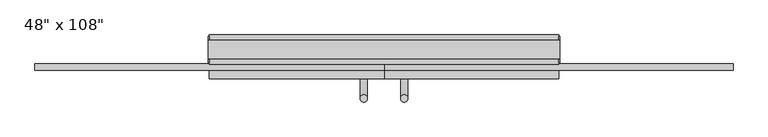
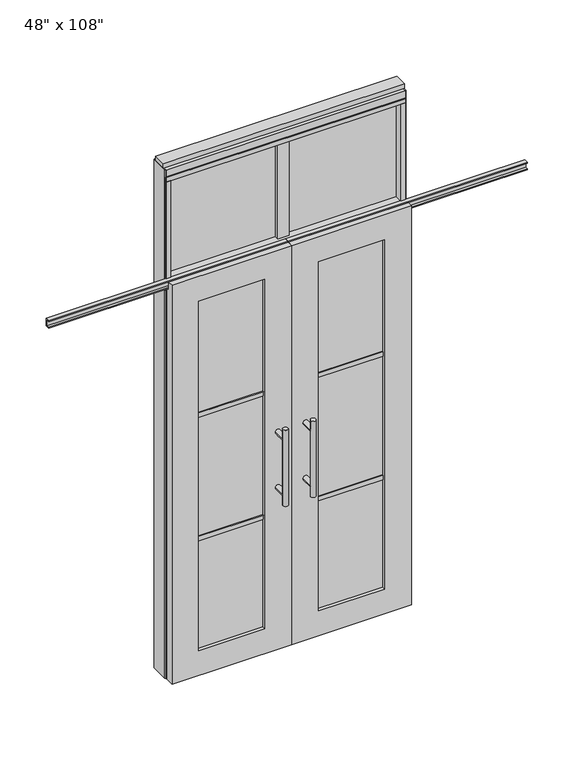
"""IFC4 building model written with IfcOpenShell, lengths in millimetres: furniture geometry."""

from ifc_helpers import new_model, si_unit, frame, origin, origin_with_axes, place, context, project, spatial, polyline, circle_curve, ellipse_curve, outline, extrude, faceted_brep, source, transform, mapped, element, save
from ifc_brep_helpers import plane_surface, cylinder_surface, advanced_brep


def furniture_19afca3b(model_context):
    return source(origin(), model_context, "Body", "SolidModel", [
        advanced_brep(
        [(-117.3135229, 5.8962784, 1219.2), (-142.7135229, 5.8962784, 1219.2), (-117.3135229, 5.8962784, 812.8), (-142.7135229, 5.8962784, 812.8), (-117.3135229, 5.8962784, 1164.336), (-117.3135229, 5.8962784, 867.664), (-142.7135229, 5.8962784, 867.664), (-142.7135229, 5.8962784, 1164.336), (-117.3135229, -61.6677216, 1164.336), (-142.7135229, -61.6677216, 1164.336), (-117.3135229, -61.6677216, 867.664), (-142.7135229, -61.6677216, 867.664)],
        [
            (0, 1, circle_curve(frame((-130.0135229, 5.8962784, 1219.2), z_axis=(0.0, 0.0, 1.0), x_axis=(-1.0, 0.0, 0.0)), 12.7)),
            (1, 0, circle_curve(frame((-130.0135229, 5.8962784, 1219.2), z_axis=(0.0, 0.0, 1.0), x_axis=(-1.0, 0.0, 0.0)), 12.7)),
            (2, 3, circle_curve(frame((-130.0135229, 5.8962784, 812.8), z_axis=(0.0, 0.0, -1.0), x_axis=(-1.0, 0.0, 0.0)), 12.7)),
            (3, 2, circle_curve(frame((-130.0135229, 5.8962784, 812.8), z_axis=(0.0, 0.0, -1.0), x_axis=(-1.0, 0.0, 0.0)), 12.7)),
            (0, 4),
            (4, 5),
            (5, 2),
            (3, 6),
            (6, 7),
            (7, 1),
            (7, 4, ellipse_curve(frame((-130.0135229, 5.8962784, 1164.336), z_axis=(0.0, 0.707106781186565, 0.70710678118653), x_axis=(0.0, -0.70710678118653, 0.707106781186565)), 17.9605122, 12.7)),
            (5, 6, ellipse_curve(frame((-130.0135229, 5.8962784, 867.664), z_axis=(0.0, 0.70710678118653, -0.7071067811865649), x_axis=(0.0, 0.7071067811865648, 0.7071067811865301)), 17.9605122, 12.7)),
            (4, 7, ellipse_curve(frame((-130.0135229, 5.8962784, 1164.336), z_axis=(0.0, 0.70710678118653, -0.7071067811865649), x_axis=(0.0, 0.7071067811865648, 0.7071067811865301)), 17.9605122, 12.7)),
            (6, 5, ellipse_curve(frame((-130.0135229, 5.8962784, 867.664), z_axis=(0.0, 0.707106781186565, 0.70710678118653), x_axis=(0.0, -0.70710678118653, 0.707106781186565)), 17.9605122, 12.7)),
            (8, 9, circle_curve(frame((-130.0135229, -61.6677216, 1164.336), z_axis=(0.0, -1.0, 0.0), x_axis=(-1.0, 0.0, 0.0)), 12.7)),
            (9, 8, circle_curve(frame((-130.0135229, -61.6677216, 1164.336), z_axis=(0.0, -1.0, 0.0), x_axis=(-1.0, 0.0, 0.0)), 12.7)),
            (9, 7),
            (4, 8),
            (10, 11, circle_curve(frame((-130.0135229, -61.6677216, 867.664), z_axis=(0.0, -1.0, 0.0), x_axis=(-1.0, 0.0, 0.0)), 12.7)),
            (11, 10, circle_curve(frame((-130.0135229, -61.6677216, 867.664), z_axis=(0.0, -1.0, 0.0), x_axis=(-1.0, 0.0, 0.0)), 12.7)),
            (11, 6),
            (5, 10),
        ],
        [
            plane_surface(frame((-142.7135229, 5.8962784, 1219.2), z_axis=(0.0, 0.0, 1.0), x_axis=(0.0, -1.0, 0.0))),
            plane_surface(frame((-142.7135229, 5.8962784, 812.8), z_axis=(0.0, 0.0, -1.0), x_axis=(0.0, 1.0, 0.0))),
            cylinder_surface(frame((-130.0135229, 5.8962784, 812.8), z_axis=(0.0, 0.0, 1.0), x_axis=(-1.0, 0.0, 0.0)), 12.7),
            plane_surface(frame((-142.7135229, -61.6677216, 1164.336), z_axis=(0.0, -1.0, 0.0), x_axis=(0.0, 0.0, -1.0))),
            cylinder_surface(frame((-130.0135229, -61.6677216, 1164.336), z_axis=(0.0, 1.0, 0.0), x_axis=(-1.0, 0.0, 0.0)), 12.7),
            plane_surface(frame((-142.7135229, -61.6677216, 867.664), z_axis=(0.0, -1.0, 0.0), x_axis=(0.0, 0.0, -1.0))),
            cylinder_surface(frame((-130.0135229, -61.6677216, 867.664), z_axis=(0.0, 1.0, 0.0), x_axis=(-1.0, 0.0, 0.0)), 12.7),
        ],
        [
            (0, [[1, 2]]),
            (1, [[3, 4]]),
            (2, [[-1, 5, 6, 7, -4, 8, 9, 10]]),
            (2, [[-2, -10, 11, -5]]),
            (2, [[-3, -7, 12, -8]]),
            (2, [[13, -9, 14, -6]]),
            (3, [[15, 16]]),
            (4, [[-16, 17, -13, 18]]),
            (4, [[-15, -18, -11, -17]]),
            (5, [[19, 20]]),
            (6, [[-20, 21, -12, 22]]),
            (6, [[-19, -22, -14, -21]]),
        ],
    ),
        advanced_brep(
        [(-117.3135229, -173.6817216, 1219.2), (-142.7135229, -173.6817216, 1219.2), (-117.3135229, -173.6817216, 812.8), (-142.7135229, -173.6817216, 812.8), (-142.7135229, -173.6817216, 1164.336), (-142.7135229, -173.6817216, 867.664), (-117.3135229, -173.6817216, 867.664), (-117.3135229, -173.6817216, 1164.336), (-117.3135229, -106.1177216, 1164.336), (-142.7135229, -106.1177216, 1164.336), (-117.3135229, -106.1177216, 867.664), (-142.7135229, -106.1177216, 867.664)],
        [
            (0, 1, circle_curve(frame((-130.0135229, -173.6817216, 1219.2), z_axis=(0.0, 0.0, 1.0), x_axis=(-1.0, 0.0, 0.0)), 12.7)),
            (1, 0, circle_curve(frame((-130.0135229, -173.6817216, 1219.2), z_axis=(0.0, 0.0, 1.0), x_axis=(-1.0, 0.0, 0.0)), 12.7)),
            (2, 3, circle_curve(frame((-130.0135229, -173.6817216, 812.8), z_axis=(0.0, 0.0, -1.0), x_axis=(-1.0, 0.0, 0.0)), 12.7)),
            (3, 2, circle_curve(frame((-130.0135229, -173.6817216, 812.8), z_axis=(0.0, 0.0, -1.0), x_axis=(-1.0, 0.0, 0.0)), 12.7)),
            (1, 4),
            (4, 5),
            (5, 3),
            (2, 6),
            (6, 7),
            (7, 0),
            (6, 5, ellipse_curve(frame((-130.0135229, -173.6817216, 867.664), z_axis=(0.0, -0.707106781186565, 0.70710678118653), x_axis=(0.0, 0.70710678118653, 0.707106781186565)), 17.9605122, 12.7)),
            (4, 7, ellipse_curve(frame((-130.0135229, -173.6817216, 1164.336), z_axis=(0.0, -0.70710678118653, -0.7071067811865649), x_axis=(0.0, -0.7071067811865648, 0.7071067811865301)), 17.9605122, 12.7)),
            (7, 4, ellipse_curve(frame((-130.0135229, -173.6817216, 1164.336), z_axis=(0.0, -0.707106781186565, 0.70710678118653), x_axis=(0.0, 0.70710678118653, 0.707106781186565)), 17.9605122, 12.7)),
            (5, 6, ellipse_curve(frame((-130.0135229, -173.6817216, 867.664), z_axis=(0.0, -0.70710678118653, -0.7071067811865649), x_axis=(0.0, -0.7071067811865648, 0.7071067811865301)), 17.9605122, 12.7)),
            (8, 9, circle_curve(frame((-130.0135229, -106.1177216, 1164.336), z_axis=(0.0, 1.0, 0.0), x_axis=(-1.0, 0.0, 0.0)), 12.7)),
            (9, 8, circle_curve(frame((-130.0135229, -106.1177216, 1164.336), z_axis=(0.0, 1.0, 0.0), x_axis=(-1.0, 0.0, 0.0)), 12.7)),
            (8, 7),
            (4, 9),
            (10, 11, circle_curve(frame((-130.0135229, -106.1177216, 867.664), z_axis=(0.0, 1.0, 0.0), x_axis=(-1.0, 0.0, 0.0)), 12.7)),
            (11, 10, circle_curve(frame((-130.0135229, -106.1177216, 867.664), z_axis=(0.0, 1.0, 0.0), x_axis=(-1.0, 0.0, 0.0)), 12.7)),
            (10, 6),
            (5, 11),
        ],
        [
            plane_surface(frame((-142.7135229, -173.6817216, 1219.2), z_axis=(0.0, 0.0, 1.0), x_axis=(0.0, 1.0, 0.0))),
            plane_surface(frame((-142.7135229, -173.6817216, 812.8), z_axis=(0.0, 0.0, -1.0), x_axis=(0.0, -1.0, 0.0))),
            cylinder_surface(frame((-130.0135229, -173.6817216, 812.8), z_axis=(0.0, 0.0, 1.0), x_axis=(-1.0, 0.0, 0.0)), 12.7),
            plane_surface(frame((-142.7135229, -106.1177216, 1164.336), z_axis=(0.0, 1.0, 0.0), x_axis=(0.0, 0.0, -1.0))),
            cylinder_surface(frame((-130.0135229, -106.1177216, 1164.336), z_axis=(0.0, -1.0, 0.0), x_axis=(-1.0, 0.0, 0.0)), 12.7),
            plane_surface(frame((-142.7135229, -106.1177216, 867.664), z_axis=(0.0, 1.0, 0.0), x_axis=(0.0, 0.0, -1.0))),
            cylinder_surface(frame((-130.0135229, -106.1177216, 867.664), z_axis=(0.0, -1.0, 0.0), x_axis=(-1.0, 0.0, 0.0)), 12.7),
        ],
        [
            (0, [[1, 2]]),
            (1, [[3, 4]]),
            (2, [[5, 6, 7, -3, 8, 9, 10, -2]]),
            (2, [[-9, 11, -6, 12]]),
            (2, [[-10, 13, -5, -1]]),
            (2, [[-7, 14, -8, -4]]),
            (3, [[15, 16]]),
            (4, [[17, -12, 18, -15]]),
            (4, [[-18, -13, -17, -16]]),
            (5, [[19, 20]]),
            (6, [[21, -14, 22, -19]]),
            (6, [[-22, -11, -21, -20]]),
        ],
    ),
        extrude(outline(polyline([(-196.0535229, -95.0052216), (-529.6825229, -95.0052216), (-529.6825229, -72.7802216), (-196.0535229, -72.7802216), (-196.0535229, -95.0052216)])), frame((0.0, 0.0, 1371.6), z_axis=(0.0, 0.0, 1.0), x_axis=(1.0, 0.0, 0.0)), (0.0, 0.0, 1.0), 22.225),
        extrude(outline(polyline([(-196.0535229, -95.0052216), (-529.6825229, -95.0052216), (-529.6825229, -72.7802216), (-196.0535229, -72.7802216), (-196.0535229, -95.0052216)])), frame((0.0, 0.0, 711.2), z_axis=(0.0, 0.0, 1.0), x_axis=(1.0, 0.0, 0.0)), (0.0, 0.0, 1.0), 22.225),
        extrude(outline(polyline([(-529.6825229, -88.9727216), (-529.6825229, -78.8127216), (-196.0535229, -78.8127216), (-196.0535229, -88.9727216), (-529.6825229, -88.9727216)])), frame((0.0, 0.0, 132.969), z_axis=(0.0, 0.0, 1.0), x_axis=(1.0, 0.0, 0.0)), (0.0, 0.0, 1.0), 1867.662),
        extrude(outline(polyline([(-75.3837216, 2097.278), (-75.3837216, 2102.612), (-62.6837216, 2102.612), (-62.6837216, 2131.568), (-75.3837216, 2131.568), (-75.3837216, 2136.902), (-53.6667216, 2136.902), (-53.6667216, 2097.278), (-75.3837216, 2097.278)])), frame((-1271.3625229, 0.0, 0.0), z_axis=(1.0, 0.0, 0.0), x_axis=(0.0, 1.0, 0.0)), (0.0, 0.0, 1.0), 1211.326),
        faceted_brep([(-60.0365229, -106.1177216, 0.0), (-60.0365229, -106.1177216, 2133.6), (-665.6995229, -106.1177216, 2133.6), (-665.6995229, -106.1177216, 0.0), (-529.6825229, -106.1177216, 2000.631), (-196.0535229, -106.1177216, 2000.631), (-196.0535229, -106.1177216, 132.969), (-529.6825229, -106.1177216, 132.969), (-60.0365229, -78.6857216, 2133.6), (-60.0365229, -78.6857216, 2089.023), (-665.6995229, -78.6857216, 2089.023), (-665.6995229, -78.6857216, 2133.6), (-60.0365229, -61.6677216, 0.0), (-60.0365229, -61.6677216, 2089.023), (-665.6995229, -61.6677216, 2089.023), (-665.6995229, -61.6677216, 0.0), (-529.6825229, -61.6677216, 2000.631), (-529.6825229, -61.6677216, 132.969), (-196.0535229, -61.6677216, 132.969), (-196.0535229, -61.6677216, 2000.631)], [[[0, 1, 2, 3], [4, 5, 6, 7]], [[8, 9, 10, 11]], [[0, 12, 13, 9, 8, 1]], [[2, 11, 10, 14, 15, 3]], [[1, 8, 11, 2]], [[14, 13, 12, 15], [16, 17, 18, 19]], [[14, 10, 9, 13]], [[3, 15, 12, 0]], [[7, 17, 16, 4]], [[6, 18, 17, 7]], [[5, 19, 18, 6]], [[4, 16, 19, 5]]]),
        extrude(outline(polyline([(-31.4615229, -33.0927216), (-88.6115229, -33.0927216), (-88.6115229, 24.0572784), (-31.4615229, 24.0572784), (-31.4615229, -33.0927216)])), frame((0.0, 0.0, 2133.6), z_axis=(0.0, 0.0, 1.0), x_axis=(1.0, 0.0, 0.0)), (0.0, 0.0, 1.0), 520.7),
        extrude(outline(polyline([(523.4014771, -10.8677216), (-643.4745229, -10.8677216), (-643.4745229, 1.8322784), (523.4014771, 1.8322784), (523.4014771, -10.8677216)])), frame((0.0, 0.0, 2133.6), z_axis=(0.0, 0.0, 1.0), x_axis=(1.0, 0.0, 0.0)), (0.0, 0.0, 1.0), 520.7),
        advanced_brep(
        [(-2.7595229, 5.8962784, 1219.2), (22.6404771, 5.8962784, 1219.2), (-2.7595229, 5.8962784, 812.8), (22.6404771, 5.8962784, 812.8), (22.6404771, 5.8962784, 1164.336), (22.6404771, 5.8962784, 867.664), (-2.7595229, 5.8962784, 867.664), (-2.7595229, 5.8962784, 1164.336), (-2.7595229, -61.6677216, 1164.336), (22.6404771, -61.6677216, 1164.336), (-2.7595229, -61.6677216, 867.664), (22.6404771, -61.6677216, 867.664)],
        [
            (0, 1, circle_curve(frame((9.9404771, 5.8962784, 1219.2), z_axis=(0.0, 0.0, 1.0), x_axis=(1.0, 0.0, 0.0)), 12.7)),
            (1, 0, circle_curve(frame((9.9404771, 5.8962784, 1219.2), z_axis=(0.0, 0.0, 1.0), x_axis=(1.0, 0.0, 0.0)), 12.7)),
            (2, 3, circle_curve(frame((9.9404771, 5.8962784, 812.8), z_axis=(0.0, 0.0, -1.0), x_axis=(1.0, 0.0, 0.0)), 12.7)),
            (3, 2, circle_curve(frame((9.9404771, 5.8962784, 812.8), z_axis=(0.0, 0.0, -1.0), x_axis=(1.0, 0.0, 0.0)), 12.7)),
            (1, 4),
            (4, 5),
            (5, 3),
            (2, 6),
            (6, 7),
            (7, 0),
            (6, 5, ellipse_curve(frame((9.9404771, 5.8962784, 867.664), z_axis=(0.0, 0.707106781186565, 0.70710678118653), x_axis=(0.0, -0.70710678118653, 0.707106781186565)), 17.9605122, 12.7)),
            (4, 7, ellipse_curve(frame((9.9404771, 5.8962784, 1164.336), z_axis=(0.0, 0.70710678118653, -0.7071067811865649), x_axis=(0.0, 0.7071067811865648, 0.7071067811865301)), 17.9605122, 12.7)),
            (7, 4, ellipse_curve(frame((9.9404771, 5.8962784, 1164.336), z_axis=(0.0, 0.707106781186565, 0.70710678118653), x_axis=(0.0, -0.70710678118653, 0.707106781186565)), 17.9605122, 12.7)),
            (5, 6, ellipse_curve(frame((9.9404771, 5.8962784, 867.664), z_axis=(0.0, 0.70710678118653, -0.7071067811865649), x_axis=(0.0, 0.7071067811865648, 0.7071067811865301)), 17.9605122, 12.7)),
            (8, 9, circle_curve(frame((9.9404771, -61.6677216, 1164.336), z_axis=(0.0, -1.0, 0.0), x_axis=(1.0, 0.0, 0.0)), 12.7)),
            (9, 8, circle_curve(frame((9.9404771, -61.6677216, 1164.336), z_axis=(0.0, -1.0, 0.0), x_axis=(1.0, 0.0, 0.0)), 12.7)),
            (8, 7),
            (4, 9),
            (10, 11, circle_curve(frame((9.9404771, -61.6677216, 867.664), z_axis=(0.0, -1.0, 0.0), x_axis=(1.0, 0.0, 0.0)), 12.7)),
            (11, 10, circle_curve(frame((9.9404771, -61.6677216, 867.664), z_axis=(0.0, -1.0, 0.0), x_axis=(1.0, 0.0, 0.0)), 12.7)),
            (10, 6),
            (5, 11),
        ],
        [
            plane_surface(frame((22.6404771, 5.8962784, 1219.2), z_axis=(0.0, 0.0, 1.0), x_axis=(0.0, -1.0, 0.0))),
            plane_surface(frame((22.6404771, 5.8962784, 812.8), z_axis=(0.0, 0.0, -1.0), x_axis=(0.0, 1.0, 0.0))),
            cylinder_surface(frame((9.9404771, 5.8962784, 812.8), z_axis=(0.0, 0.0, 1.0), x_axis=(1.0, 0.0, 0.0)), 12.7),
            plane_surface(frame((22.6404771, -61.6677216, 1164.336), z_axis=(0.0, -1.0, 0.0), x_axis=(0.0, 0.0, -1.0))),
            cylinder_surface(frame((9.9404771, -61.6677216, 1164.336), z_axis=(0.0, 1.0, 0.0), x_axis=(1.0, 0.0, 0.0)), 12.7),
            plane_surface(frame((22.6404771, -61.6677216, 867.664), z_axis=(0.0, -1.0, 0.0), x_axis=(0.0, 0.0, -1.0))),
            cylinder_surface(frame((9.9404771, -61.6677216, 867.664), z_axis=(0.0, 1.0, 0.0), x_axis=(1.0, 0.0, 0.0)), 12.7),
        ],
        [
            (0, [[1, 2]]),
            (1, [[3, 4]]),
            (2, [[5, 6, 7, -3, 8, 9, 10, -2]]),
            (2, [[-9, 11, -6, 12]]),
            (2, [[-10, 13, -5, -1]]),
            (2, [[-7, 14, -8, -4]]),
            (3, [[15, 16]]),
            (4, [[17, -12, 18, -15]]),
            (4, [[-18, -13, -17, -16]]),
            (5, [[19, 20]]),
            (6, [[21, -14, 22, -19]]),
            (6, [[-22, -11, -21, -20]]),
        ],
    ),
        advanced_brep(
        [(-2.7595229, -173.6817216, 1219.2), (22.6404771, -173.6817216, 1219.2), (-2.7595229, -173.6817216, 812.8), (22.6404771, -173.6817216, 812.8), (-2.7595229, -173.6817216, 1164.336), (-2.7595229, -173.6817216, 867.664), (22.6404771, -173.6817216, 867.664), (22.6404771, -173.6817216, 1164.336), (-2.7595229, -106.1177216, 1164.336), (22.6404771, -106.1177216, 1164.336), (-2.7595229, -106.1177216, 867.664), (22.6404771, -106.1177216, 867.664)],
        [
            (0, 1, circle_curve(frame((9.9404771, -173.6817216, 1219.2), z_axis=(0.0, 0.0, 1.0), x_axis=(1.0, 0.0, 0.0)), 12.7)),
            (1, 0, circle_curve(frame((9.9404771, -173.6817216, 1219.2), z_axis=(0.0, 0.0, 1.0), x_axis=(1.0, 0.0, 0.0)), 12.7)),
            (2, 3, circle_curve(frame((9.9404771, -173.6817216, 812.8), z_axis=(0.0, 0.0, -1.0), x_axis=(1.0, 0.0, 0.0)), 12.7)),
            (3, 2, circle_curve(frame((9.9404771, -173.6817216, 812.8), z_axis=(0.0, 0.0, -1.0), x_axis=(1.0, 0.0, 0.0)), 12.7)),
            (0, 4),
            (4, 5),
            (5, 2),
            (3, 6),
            (6, 7),
            (7, 1),
            (7, 4, ellipse_curve(frame((9.9404771, -173.6817216, 1164.336), z_axis=(0.0, -0.707106781186565, 0.70710678118653), x_axis=(0.0, 0.70710678118653, 0.707106781186565)), 17.9605122, 12.7)),
            (5, 6, ellipse_curve(frame((9.9404771, -173.6817216, 867.664), z_axis=(0.0, -0.70710678118653, -0.7071067811865649), x_axis=(0.0, -0.7071067811865648, 0.7071067811865301)), 17.9605122, 12.7)),
            (4, 7, ellipse_curve(frame((9.9404771, -173.6817216, 1164.336), z_axis=(0.0, -0.70710678118653, -0.7071067811865649), x_axis=(0.0, -0.7071067811865648, 0.7071067811865301)), 17.9605122, 12.7)),
            (6, 5, ellipse_curve(frame((9.9404771, -173.6817216, 867.664), z_axis=(0.0, -0.707106781186565, 0.70710678118653), x_axis=(0.0, 0.70710678118653, 0.707106781186565)), 17.9605122, 12.7)),
            (8, 9, circle_curve(frame((9.9404771, -106.1177216, 1164.336), z_axis=(0.0, 1.0, 0.0), x_axis=(1.0, 0.0, 0.0)), 12.7)),
            (9, 8, circle_curve(frame((9.9404771, -106.1177216, 1164.336), z_axis=(0.0, 1.0, 0.0), x_axis=(1.0, 0.0, 0.0)), 12.7)),
            (9, 7),
            (4, 8),
            (10, 11, circle_curve(frame((9.9404771, -106.1177216, 867.664), z_axis=(0.0, 1.0, 0.0), x_axis=(1.0, 0.0, 0.0)), 12.7)),
            (11, 10, circle_curve(frame((9.9404771, -106.1177216, 867.664), z_axis=(0.0, 1.0, 0.0), x_axis=(1.0, 0.0, 0.0)), 12.7)),
            (11, 6),
            (5, 10),
        ],
        [
            plane_surface(frame((22.6404771, -173.6817216, 1219.2), z_axis=(0.0, 0.0, 1.0), x_axis=(0.0, 1.0, 0.0))),
            plane_surface(frame((22.6404771, -173.6817216, 812.8), z_axis=(0.0, 0.0, -1.0), x_axis=(0.0, -1.0, 0.0))),
            cylinder_surface(frame((9.9404771, -173.6817216, 812.8), z_axis=(0.0, 0.0, 1.0), x_axis=(1.0, 0.0, 0.0)), 12.7),
            plane_surface(frame((22.6404771, -106.1177216, 1164.336), z_axis=(0.0, 1.0, 0.0), x_axis=(0.0, 0.0, -1.0))),
            cylinder_surface(frame((9.9404771, -106.1177216, 1164.336), z_axis=(0.0, -1.0, 0.0), x_axis=(1.0, 0.0, 0.0)), 12.7),
            plane_surface(frame((22.6404771, -106.1177216, 867.664), z_axis=(0.0, 1.0, 0.0), x_axis=(0.0, 0.0, -1.0))),
            cylinder_surface(frame((9.9404771, -106.1177216, 867.664), z_axis=(0.0, -1.0, 0.0), x_axis=(1.0, 0.0, 0.0)), 12.7),
        ],
        [
            (0, [[1, 2]]),
            (1, [[3, 4]]),
            (2, [[-1, 5, 6, 7, -4, 8, 9, 10]]),
            (2, [[-2, -10, 11, -5]]),
            (2, [[-3, -7, 12, -8]]),
            (2, [[13, -9, 14, -6]]),
            (3, [[15, 16]]),
            (4, [[-16, 17, -13, 18]]),
            (4, [[-15, -18, -11, -17]]),
            (5, [[19, 20]]),
            (6, [[-20, 21, -12, 22]]),
            (6, [[-19, -22, -14, -21]]),
        ],
    ),
        extrude(outline(polyline([(75.9804771, -95.0052216), (75.9804771, -72.7802216), (409.6094771, -72.7802216), (409.6094771, -95.0052216), (75.9804771, -95.0052216)])), frame((0.0, 0.0, 1371.6), z_axis=(0.0, 0.0, 1.0), x_axis=(1.0, 0.0, 0.0)), (0.0, 0.0, 1.0), 22.225),
        extrude(outline(polyline([(75.9804771, -95.0052216), (75.9804771, -72.7802216), (409.6094771, -72.7802216), (409.6094771, -95.0052216), (75.9804771, -95.0052216)])), frame((0.0, 0.0, 711.2), z_axis=(0.0, 0.0, 1.0), x_axis=(1.0, 0.0, 0.0)), (0.0, 0.0, 1.0), 22.225),
        extrude(outline(polyline([(409.6094771, -88.9727216), (75.9804771, -88.9727216), (75.9804771, -78.8127216), (409.6094771, -78.8127216), (409.6094771, -88.9727216)])), frame((0.0, 0.0, 132.969), z_axis=(0.0, 0.0, 1.0), x_axis=(1.0, 0.0, 0.0)), (0.0, 0.0, 1.0), 1867.662),
        extrude(outline(polyline([(-75.3837216, 2097.278), (-75.3837216, 2102.612), (-62.6837216, 2102.612), (-62.6837216, 2131.568), (-75.3837216, 2131.568), (-75.3837216, 2136.902), (-53.6667216, 2136.902), (-53.6667216, 2097.278), (-75.3837216, 2097.278)])), frame((-60.0365229, 0.0, 0.0), z_axis=(1.0, 0.0, 0.0), x_axis=(0.0, 1.0, 0.0)), (0.0, 0.0, 1.0), 1211.326),
        faceted_brep([(-60.0365229, -106.1177216, 0.0), (545.6264771, -106.1177216, 0.0), (545.6264771, -106.1177216, 2133.6), (-60.0365229, -106.1177216, 2133.6), (409.6094771, -106.1177216, 2000.631), (409.6094771, -106.1177216, 132.969), (75.9804771, -106.1177216, 132.969), (75.9804771, -106.1177216, 2000.631), (-60.0365229, -78.6857216, 2133.6), (545.6264771, -78.6857216, 2133.6), (545.6264771, -78.6857216, 2089.023), (-60.0365229, -78.6857216, 2089.023), (-60.0365229, -61.6677216, 2089.023), (-60.0365229, -61.6677216, 0.0), (545.6264771, -61.6677216, 0.0), (545.6264771, -61.6677216, 2089.023), (409.6094771, -61.6677216, 2000.631), (75.9804771, -61.6677216, 2000.631), (75.9804771, -61.6677216, 132.969), (409.6094771, -61.6677216, 132.969)], [[[0, 1, 2, 3], [4, 5, 6, 7]], [[8, 9, 10, 11]], [[0, 3, 8, 11, 12, 13]], [[2, 1, 14, 15, 10, 9]], [[3, 2, 9, 8]], [[15, 14, 13, 12], [16, 17, 18, 19]], [[15, 12, 11, 10]], [[1, 0, 13, 14]], [[5, 4, 16, 19]], [[6, 5, 19, 18]], [[7, 6, 18, 17]], [[4, 7, 17, 16]]]),
        extrude(outline(polyline([(-643.4745229, -55.3177216), (-665.6995229, -55.3177216), (-665.6995229, 46.2822784), (-643.4745229, 46.2822784), (-643.4745229, -55.3177216)])), frame((0.0, 0.0, 2133.6), z_axis=(0.0, 0.0, 1.0), x_axis=(1.0, 0.0, 0.0)), (0.0, 0.0, 1.0), 520.7),
        extrude(outline(polyline([(523.4014771, -55.3177216), (523.4014771, 46.2822784), (545.6264771, 46.2822784), (545.6264771, -55.3177216), (523.4014771, -55.3177216)])), frame((0.0, 0.0, 2133.6), z_axis=(0.0, 0.0, 1.0), x_axis=(1.0, 0.0, 0.0)), (0.0, 0.0, 1.0), 520.7),
        extrude(outline(polyline([(-665.6995229, -55.3177216), (-665.6995229, 46.2822784), (545.6264771, 46.2822784), (545.6264771, -55.3177216), (-665.6995229, -55.3177216)])), frame((0.0, 0.0, 2070.1), z_axis=(0.0, 0.0, 1.0), x_axis=(1.0, 0.0, 0.0)), (0.0, 0.0, 1.0), 22.225),
        extrude(outline(polyline([(-55.3177216, 2097.278), (-55.3177216, 2133.6), (46.2822784, 2133.6), (46.2822784, 2097.278), (41.3292784, 2097.278), (41.3292784, 2092.325), (-50.3647216, 2092.325), (-50.3647216, 2097.278), (-55.3177216, 2097.278)])), frame((-665.6995229, 0.0, 0.0), z_axis=(1.0, 0.0, 0.0), x_axis=(0.0, 1.0, 0.0)), (0.0, 0.0, 1.0), 1211.326),
        extrude(outline(polyline([(-665.6995229, -55.3177216), (-665.6995229, 46.2822784), (545.6264771, 46.2822784), (545.6264771, -55.3177216), (-665.6995229, -55.3177216)])), frame((0.0, 0.0, 2654.3), z_axis=(0.0, 0.0, 1.0), x_axis=(1.0, 0.0, 0.0)), (0.0, 0.0, 1.0), 22.225),
        extrude(outline(polyline([(549.5634771, -50.3647216), (545.6264771, -50.3647216), (545.6264771, 41.3292784), (549.5634771, 41.3292784), (549.5634771, -50.3647216)])), origin_with_axes(), (0.0, 0.0, 1.0), 2717.8),
        extrude(outline(polyline([(-669.6365229, -50.3647216), (-669.6365229, 41.3292784), (-665.6995229, 41.3292784), (-665.6995229, -50.3647216), (-669.6365229, -50.3647216)])), origin_with_axes(), (0.0, 0.0, 1.0), 2717.8),
        extrude(outline(polyline([(523.4014771, -55.3177216), (523.4014771, 46.2822784), (545.6264771, 46.2822784), (545.6264771, -55.3177216), (523.4014771, -55.3177216)])), origin_with_axes(), (0.0, 0.0, 1.0), 2070.1),
        extrude(outline(polyline([(-643.4745229, -55.3177216), (-665.6995229, -55.3177216), (-665.6995229, 46.2822784), (-643.4745229, 46.2822784), (-643.4745229, -55.3177216)])), origin_with_axes(), (0.0, 0.0, 1.0), 2070.1),
        extrude(outline(polyline([(-55.3177216, 2681.478), (-55.3177216, 2717.8), (46.2822784, 2717.8), (46.2822784, 2681.478), (41.3292784, 2681.478), (41.3292784, 2676.525), (-50.3647216, 2676.525), (-50.3647216, 2681.478), (-55.3177216, 2681.478)])), frame((-665.6995229, 0.0, 0.0), z_axis=(1.0, 0.0, 0.0), x_axis=(0.0, 1.0, 0.0)), (0.0, 0.0, 1.0), 1211.326),
        extrude(outline(polyline([(-669.6365229, -37.0297216), (-669.6365229, 27.9942784), (549.5634771, 27.9942784), (549.5634771, -37.0297216), (-669.6365229, -37.0297216)])), frame((0.0, 0.0, 2717.8), z_axis=(0.0, 0.0, 1.0), x_axis=(1.0, 0.0, 0.0)), (0.0, 0.0, 1.0), 25.4),
    ])


if __name__ == "__main__":
    model = new_model("IFC4")
    model_context = context("Model", 3, world=origin())
    ifc_project = project(units=[si_unit("LENGTHUNIT", "METRE", prefix="MILLI")], contexts=[model_context])
    site = spatial("IfcSite", under=ifc_project)
    building = spatial("IfcBuilding", under=site)
    placement = place(None, origin())
    furniture_shape = furniture_19afca3b(model_context)
    element("IfcFurniture", 1, ObjectType="48\" x 108\"", at=placement, inside=building, context=model_context, shape_type="MappedRepresentation", body=[
        mapped(furniture_shape, transform((0.0, 0.0, 0.0), x_axis=(1.0, 0.0, 0.0), y_axis=(0.0, 1.0, 0.0), z_axis=(0.0, 0.0, 1.0))),
    ])
    save(model, "model.ifc")
